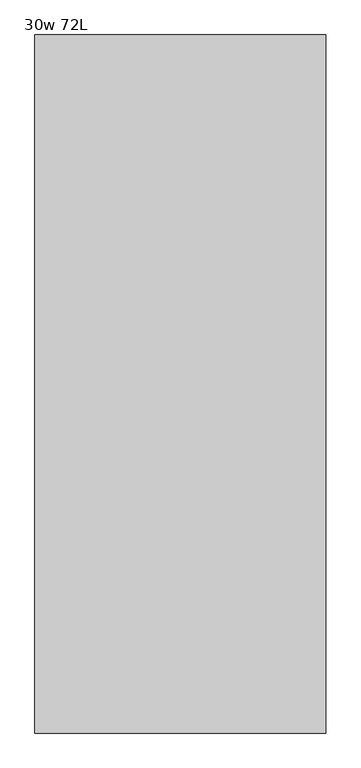
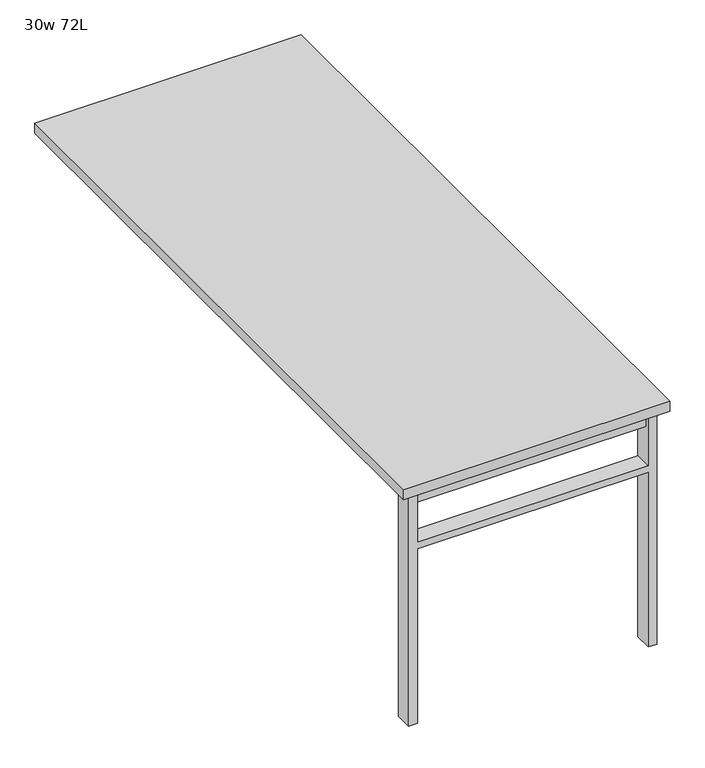
"""IFC4 building model written with IfcOpenShell, lengths in millimetres: furniture geometry, 30w 72L."""

from ifc_helpers import new_model, si_unit, frame, origin, place, context, project, spatial, polyline, outline, extrude, source, transform, mapped, element, save


def furniture_30w_72l_84455b3c(model_context):
    return source(origin(), model_context, "Body", "SweptSolid", [
        extrude(outline(polyline([(-330.2, -854.075), (330.2, -854.075), (330.2, -885.825), (-330.2, -885.825), (-330.2, -854.075)])), frame((0.0, 0.0, 661.9875), z_axis=(0.0, 0.0, 1.0), x_axis=(1.0, 0.0, 0.0)), (0.0, 0.0, 1.0), 44.45),
        extrude(outline(polyline([(528.6375, 330.2), (0.0, 330.2), (0.0, 355.6), (706.4375, 355.6), (706.4375, 330.2), (547.6875, 330.2), (547.6875, -330.2), (706.4375, -330.2), (706.4375, -355.6), (0.0, -355.6), (0.0, -330.2), (528.6375, -330.2), (528.6375, 330.2)])), frame((0.0, -895.35, 0.0), z_axis=(0.0, 1.0, 0.0), x_axis=(0.0, 0.0, 1.0)), (0.0, 0.0, 1.0), 50.8),
        extrude(outline(polyline([(-381.0, -914.4), (-381.0, 914.4), (381.0, 914.4), (381.0, -914.4), (-381.0, -914.4)])), frame((0.0, 0.0, 706.4375), z_axis=(0.0, 0.0, 1.0), x_axis=(1.0, 0.0, 0.0)), (0.0, 0.0, 1.0), 30.1625),
    ])


if __name__ == "__main__":
    model = new_model("IFC4")
    model_context = context("Model", 3, world=origin())
    ifc_project = project(units=[si_unit("LENGTHUNIT", "METRE", prefix="MILLI")], contexts=[model_context])
    site = spatial("IfcSite", under=ifc_project)
    building = spatial("IfcBuilding", under=site)
    placement = place(None, origin())
    furniture_30w_72l_shape = furniture_30w_72l_84455b3c(model_context)
    element("IfcFurniture", 1, ObjectType="30w 72L", at=placement, inside=building, context=model_context, shape_type="MappedRepresentation", body=[
        mapped(furniture_30w_72l_shape, transform((0.0, 0.0, 0.0), x_axis=(1.0, 0.0, 0.0), y_axis=(0.0, 1.0, 0.0), z_axis=(0.0, 0.0, 1.0))),
    ])
    save(model, "model.ifc")
